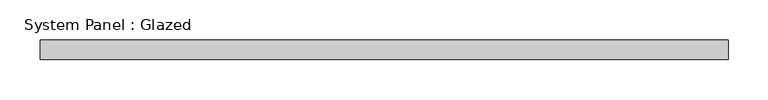
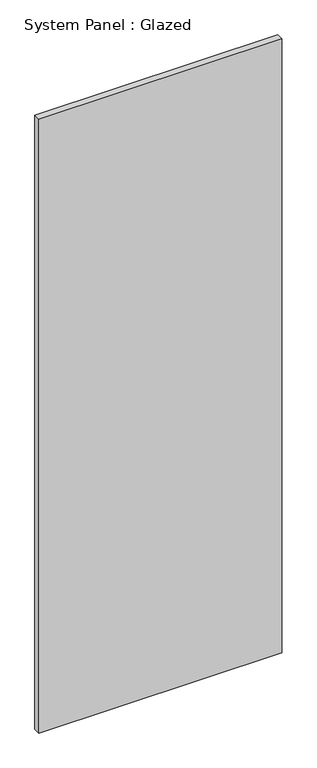
"""IFC4 building model written with IfcOpenShell, lengths in millimetres: plate geometry, System Panel : Glazed."""

from ifc_helpers import new_model, si_unit, origin, origin_with_axes, place, context, project, spatial, polyline, outline, extrude, source, transform, mapped, element, save


def system_panel_glazed_43bd8ef2(model_context):
    return source(origin(), model_context, "Body", "SweptSolid", [
        extrude(outline(polyline([(430.0, 24.5), (-430.0, 24.5), (-430.0, 49.5), (430.0, 49.5), (430.0, 24.5)])), origin_with_axes(), (0.0, 0.0, 1.0), 2300.0),
    ])


if __name__ == "__main__":
    model = new_model("IFC4")
    model_context = context("Model", 3, world=origin())
    ifc_project = project(units=[si_unit("LENGTHUNIT", "METRE", prefix="MILLI")], contexts=[model_context])
    site = spatial("IfcSite", under=ifc_project)
    building = spatial("IfcBuilding", under=site)
    placement = place(None, origin())
    system_panel_glazed_shape = system_panel_glazed_43bd8ef2(model_context)
    element("IfcPlate", 1, ObjectType="System Panel : Glazed", at=placement, inside=building, context=model_context, shape_type="MappedRepresentation", body=[
        mapped(system_panel_glazed_shape, transform((0.0, 0.0, 0.0), x_axis=(1.0, 0.0, 0.0), y_axis=(0.0, 1.0, 0.0), z_axis=(0.0, 0.0, 1.0))),
    ])
    save(model, "model.ifc")
